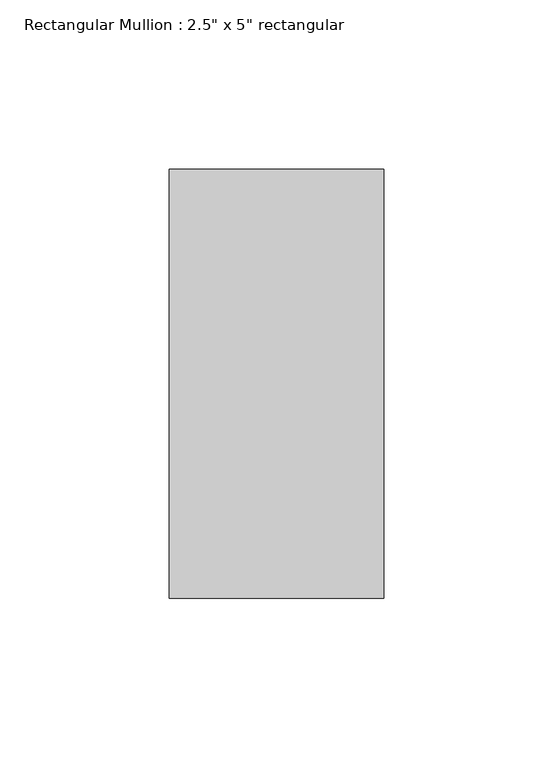
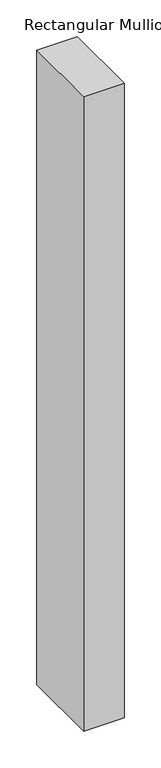
"""IFC4 building model written with IfcOpenShell, lengths in millimetres: member geometry."""

from ifc_helpers import new_model, si_unit, frame, origin, place, context, project, spatial, polyline, outline, extrude, source, transform, mapped, element, save


def member_d0034d26(model_context):
    return source(origin(), model_context, "Body", "SweptSolid", [
        extrude(outline(polyline([(0.0, 63.5), (0.0, -63.5), (-63.5, -63.5), (-63.5, 63.5), (0.0, 63.5)])), frame((0.0, 0.0, -1051.3541399), z_axis=(0.0, 0.0, 1.0), x_axis=(1.0, 0.0, 0.0)), (0.0, 0.0, 1.0), 1051.3541399),
    ])


if __name__ == "__main__":
    model = new_model("IFC4")
    model_context = context("Model", 3, world=origin())
    ifc_project = project(units=[si_unit("LENGTHUNIT", "METRE", prefix="MILLI")], contexts=[model_context])
    site = spatial("IfcSite", under=ifc_project)
    building = spatial("IfcBuilding", under=site)
    placement = place(None, origin())
    member_shape = member_d0034d26(model_context)
    element("IfcMember", 1, ObjectType="Rectangular Mullion : 2.5\" x 5\" rectangular", at=placement, inside=building, context=model_context, shape_type="MappedRepresentation", body=[
        mapped(member_shape, transform((0.0, 0.0, 0.0), x_axis=(1.0, 0.0, 0.0), y_axis=(0.0, 1.0, 0.0), z_axis=(0.0, 0.0, 1.0))),
    ])
    save(model, "model.ifc")
